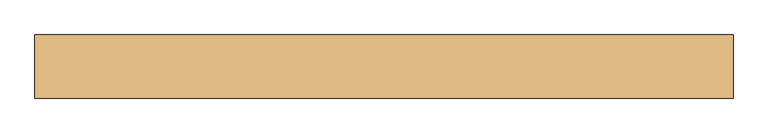
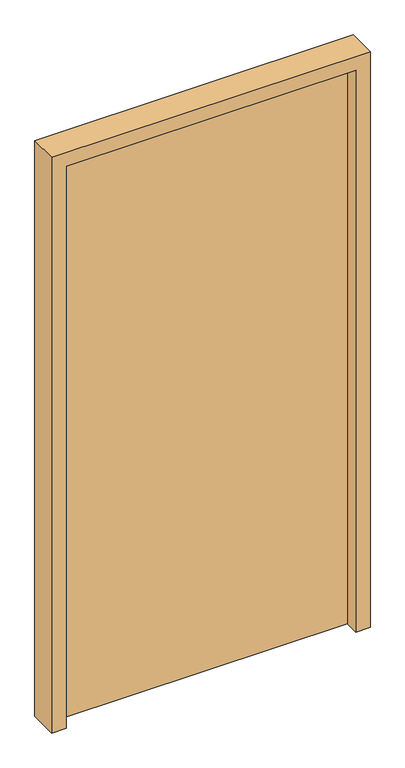
"""IFC4 building model written with IfcOpenShell, lengths in millimetres: door geometry."""

from ifc_helpers import new_model, si_unit, frame, origin, origin_with_axes, place, context, project, spatial, polyline, outline, extrude, source, transform, mapped, element, save


def door_cfbb89e6(model_context):
    return source(origin(), model_context, "Body", "SweptSolid", [
        extrude(outline(polyline([(-500.0, 60.0), (500.0, 60.0), (500.0, 10.0), (-500.0, 10.0), (-500.0, 60.0)])), origin_with_axes(), (0.0, 0.0, 1.0), 2050.0),
        extrude(outline(polyline([(0.0, -550.0), (0.0, -500.0), (2050.0, -500.0), (2050.0, 500.0), (0.0, 500.0), (0.0, 550.0), (2100.0, 550.0), (2100.0, -550.0), (0.0, -550.0)])), frame((0.0, -40.0, 0.0), z_axis=(0.0, 1.0, 0.0), x_axis=(0.0, 0.0, 1.0)), (0.0, 0.0, 1.0), 100.0),
    ])


if __name__ == "__main__":
    model = new_model("IFC4")
    model_context = context("Model", 3, world=origin())
    ifc_project = project(units=[si_unit("LENGTHUNIT", "METRE", prefix="MILLI")], contexts=[model_context])
    site = spatial("IfcSite", under=ifc_project)
    building = spatial("IfcBuilding", under=site)
    placement = place(None, origin())
    door_shape = door_cfbb89e6(model_context)
    element("IfcDoor", 1, at=placement, inside=building, context=model_context, shape_type="MappedRepresentation", body=[
        mapped(door_shape, transform((0.0, 0.0, 0.0), x_axis=(1.0, 0.0, 0.0), y_axis=(0.0, 1.0, 0.0), z_axis=(0.0, 0.0, 1.0))),
    ])
    save(model, "model.ifc")
